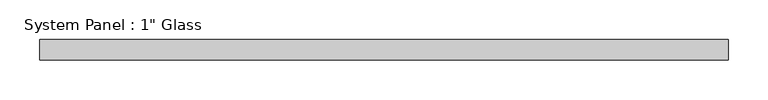
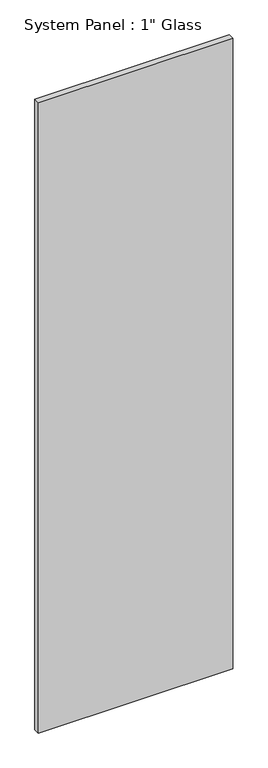
"""IFC4 building model written with IfcOpenShell, lengths in millimetres: plate geometry."""

from ifc_helpers import new_model, si_unit, origin, origin_with_axes, place, context, project, spatial, polyline, outline, extrude, source, transform, mapped, element, save


def plate_678bc745(model_context):
    return source(origin(), model_context, "Body", "SweptSolid", [
        extrude(outline(polyline([(431.8, -12.7), (-431.8, -12.7), (-431.8, 12.7), (431.8, 12.7), (431.8, -12.7)])), origin_with_axes(), (0.0, 0.0, 1.0), 2959.1),
    ])


if __name__ == "__main__":
    model = new_model("IFC4")
    model_context = context("Model", 3, world=origin())
    ifc_project = project(units=[si_unit("LENGTHUNIT", "METRE", prefix="MILLI")], contexts=[model_context])
    site = spatial("IfcSite", under=ifc_project)
    building = spatial("IfcBuilding", under=site)
    placement = place(None, origin())
    plate_shape = plate_678bc745(model_context)
    element("IfcPlate", 1, ObjectType="System Panel : 1\" Glass", at=placement, inside=building, context=model_context, shape_type="MappedRepresentation", body=[
        mapped(plate_shape, transform((0.0, 0.0, 0.0), x_axis=(1.0, 0.0, 0.0), y_axis=(0.0, 1.0, 0.0), z_axis=(0.0, 0.0, 1.0))),
    ])
    save(model, "model.ifc")
